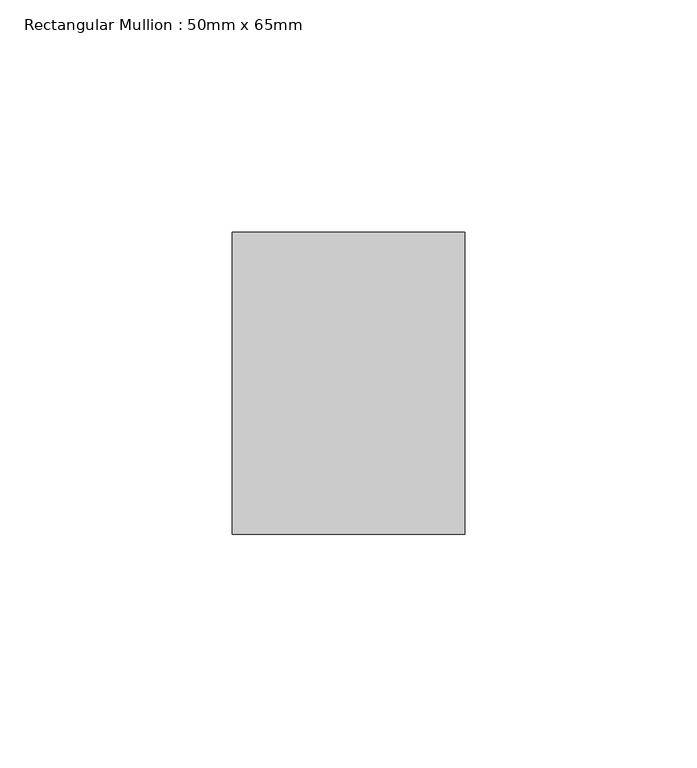
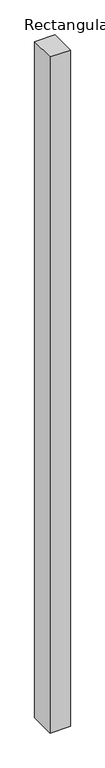
"""IFC4 building model written with IfcOpenShell, lengths in millimetres: member geometry, Rectangular Mullion : 50mm x 65mm."""

from ifc_helpers import new_model, si_unit, frame, origin, place, context, project, spatial, polyline, outline, extrude, source, transform, mapped, element, save


def rectangular_mullion_50mm_x_65mm_a47f2483(model_context):
    return source(origin(), model_context, "Body", "SweptSolid", [
        extrude(outline(polyline([(25.0, 32.5), (25.0, -32.5), (-25.0, -32.5), (-25.0, 32.5), (25.0, 32.5)])), frame((0.0, 0.0, -1754.4954026), z_axis=(0.0, 0.0, 1.0), x_axis=(1.0, 0.0, 0.0)), (0.0, 0.0, 1.0), 1754.4954026),
    ])


if __name__ == "__main__":
    model = new_model("IFC4")
    model_context = context("Model", 3, world=origin())
    ifc_project = project(units=[si_unit("LENGTHUNIT", "METRE", prefix="MILLI")], contexts=[model_context])
    site = spatial("IfcSite", under=ifc_project)
    building = spatial("IfcBuilding", under=site)
    placement = place(None, origin())
    rectangular_mullion_50mm_x_65mm_shape = rectangular_mullion_50mm_x_65mm_a47f2483(model_context)
    element("IfcMember", 1, ObjectType="Rectangular Mullion : 50mm x 65mm", at=placement, inside=building, context=model_context, shape_type="MappedRepresentation", body=[
        mapped(rectangular_mullion_50mm_x_65mm_shape, transform((0.0, 0.0, 0.0), x_axis=(1.0, 0.0, 0.0), y_axis=(0.0, 1.0, 0.0), z_axis=(0.0, 0.0, 1.0))),
    ])
    save(model, "model.ifc")
